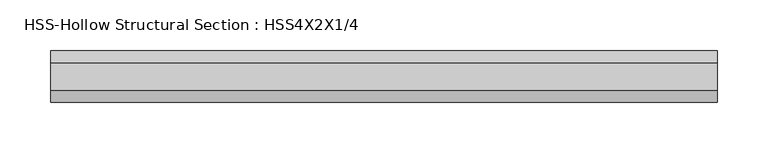
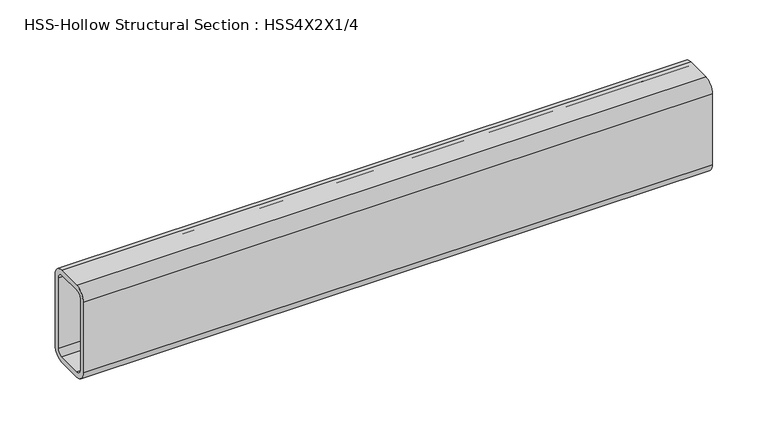
"""IFC4 building model written with IfcOpenShell, lengths in millimetres: beam geometry, HSS-Hollow Structural Section : HSS4X2X1/4."""

from ifc_helpers import new_model, si_unit, point, frame, frame_2d, origin, place, context, project, spatial, polyline, circle_curve, trimmed, segment, composite_curve, outline, extrude, source, transform, mapped, element, save


def hss_hollow_structural_section_hss4x2x1_4_1a7cc4eb(model_context):
    return source(origin(), model_context, "Body", "SweptSolid", [
        extrude(outline(composite_curve([segment(polyline([(25.4, 38.9636), (25.4, -38.9636)]), True, "CONTINUOUS"), segment(trimmed(circle_curve(frame_2d((13.5636, -38.9636)), 11.8364), [point((25.4, -38.9636))], [point((13.5636, -50.8))], False, "CARTESIAN"), True, "CONTINUOUS"), segment(polyline([(13.5636, -50.8), (-13.5636, -50.8)]), True, "CONTINUOUS"), segment(trimmed(circle_curve(frame_2d((-13.5636, -38.9636)), 11.8364), [point((-13.5636, -50.8))], [point((-25.4, -38.9636))], False, "CARTESIAN"), True, "CONTINUOUS"), segment(polyline([(-25.4, -38.9636), (-25.4, 38.9636)]), True, "CONTINUOUS"), segment(trimmed(circle_curve(frame_2d((-13.5636, 38.9636)), 11.8364), [point((-25.4, 38.9636))], [point((-13.5636, 50.8))], False, "CARTESIAN"), True, "CONTINUOUS"), segment(polyline([(-13.5636, 50.8), (13.5636, 50.8)]), True, "CONTINUOUS"), segment(trimmed(circle_curve(frame_2d((13.5636, 38.9636)), 11.8364), [point((13.5636, 50.8))], [point((25.4, 38.9636))], False, "CARTESIAN"), True, "CONTINUOUS")], self_intersect=False), holes=[composite_curve([segment(trimmed(circle_curve(frame_2d((-13.5636, 38.9636)), 5.9182), [point((-13.5636, 44.8818))], [point((-19.4818, 38.9636))], True, "CARTESIAN"), True, "CONTINUOUS"), segment(polyline([(-19.4818, 38.9636), (-19.4818, -38.9636)]), True, "CONTINUOUS"), segment(trimmed(circle_curve(frame_2d((-13.5636, -38.9636)), 5.9182), [point((-19.4818, -38.9636))], [point((-13.5636, -44.8818))], True, "CARTESIAN"), True, "CONTINUOUS"), segment(polyline([(-13.5636, -44.8818), (13.5636, -44.8818)]), True, "CONTINUOUS"), segment(trimmed(circle_curve(frame_2d((13.5636, -38.9636)), 5.9182), [point((13.5636, -44.8818))], [point((19.4818, -38.9636))], True, "CARTESIAN"), True, "CONTINUOUS"), segment(polyline([(19.4818, -38.9636), (19.4818, 38.9636)]), True, "CONTINUOUS"), segment(trimmed(circle_curve(frame_2d((13.5636, 38.9636)), 5.9182), [point((19.4818, 38.9636))], [point((13.5636, 44.8818))], True, "CARTESIAN"), True, "CONTINUOUS"), segment(polyline([(13.5636, 44.8818), (-13.5636, 44.8818)]), True, "CONTINUOUS")], self_intersect=False)]), frame((-328.5791616, 0.0, 0.0), z_axis=(1.0, 0.0, 0.0), x_axis=(0.0, 1.0, 0.0)), (0.0, 0.0, 1.0), 657.1583233),
    ])


if __name__ == "__main__":
    model = new_model("IFC4")
    model_context = context("Model", 3, world=origin())
    ifc_project = project(units=[si_unit("LENGTHUNIT", "METRE", prefix="MILLI")], contexts=[model_context])
    site = spatial("IfcSite", under=ifc_project)
    building = spatial("IfcBuilding", under=site)
    placement = place(None, origin())
    hss_hollow_structural_section_hss4x2x1_4_shape = hss_hollow_structural_section_hss4x2x1_4_1a7cc4eb(model_context)
    element("IfcBeam", 1, ObjectType="HSS-Hollow Structural Section : HSS4X2X1/4", at=placement, inside=building, context=model_context, shape_type="MappedRepresentation", body=[
        mapped(hss_hollow_structural_section_hss4x2x1_4_shape, transform((0.0, 0.0, 0.0), x_axis=(1.0, 0.0, 0.0), y_axis=(0.0, 1.0, 0.0), z_axis=(0.0, 0.0, 1.0))),
    ])
    save(model, "model.ifc")
